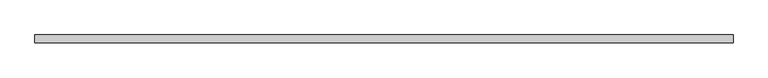
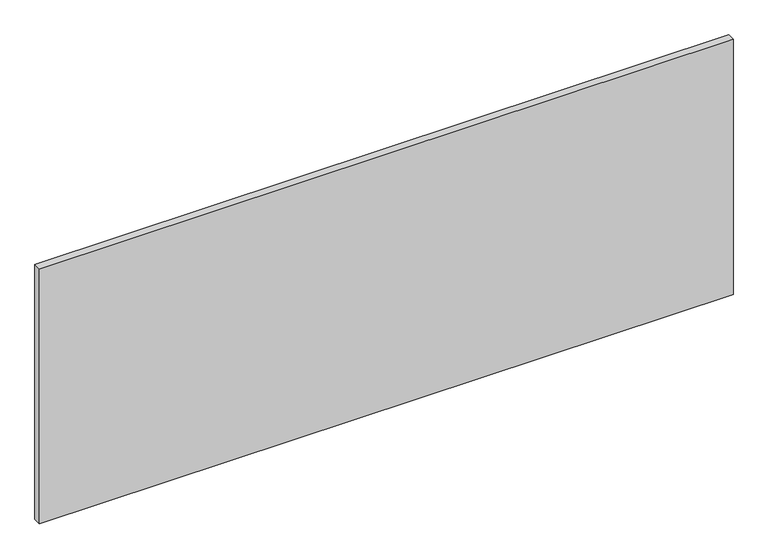
"""IFC4 building model written with IfcOpenShell, lengths in millimetres: proxy geometry."""

from ifc_helpers import new_model, si_unit, origin, origin_with_axes, place, context, project, spatial, polyline, outline, extrude, source, transform, mapped, element, save


def generic_models_20fa5763(model_context):
    return source(origin(), model_context, "Body", "SweptSolid", [
        extrude(outline(polyline([(0.0, 100.0), (0.0, 0.0), (-9000.0, 0.0), (-9000.0, 100.0), (0.0, 100.0)])), origin_with_axes(), (0.0, 0.0, 1.0), 3500.0),
    ])


if __name__ == "__main__":
    model = new_model("IFC4")
    model_context = context("Model", 3, world=origin())
    ifc_project = project(units=[si_unit("LENGTHUNIT", "METRE", prefix="MILLI")], contexts=[model_context])
    site = spatial("IfcSite", under=ifc_project)
    building = spatial("IfcBuilding", under=site)
    placement = place(None, origin())
    generic_models_shape = generic_models_20fa5763(model_context)
    element("IfcBuildingElementProxy", 1, Name="Generic Models", at=placement, inside=building, context=model_context, shape_type="MappedRepresentation", body=[
        mapped(generic_models_shape, transform((0.0, 0.0, 0.0), x_axis=(1.0, 0.0, 0.0), y_axis=(0.0, 1.0, 0.0), z_axis=(0.0, 0.0, 1.0))),
    ])
    save(model, "model.ifc")
